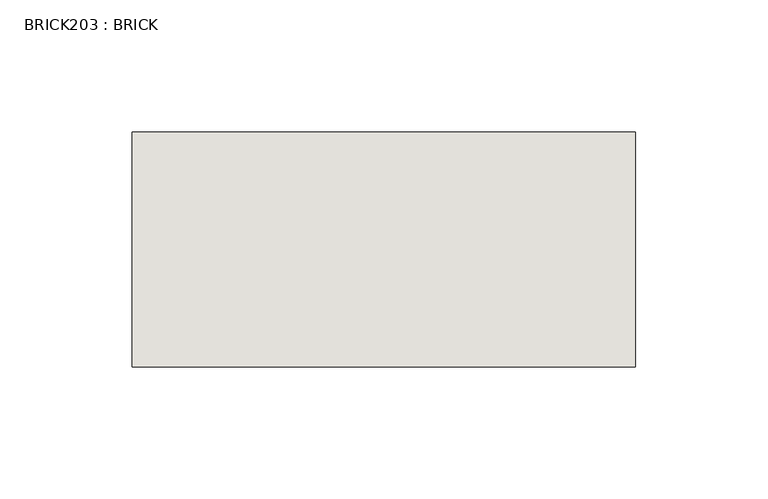
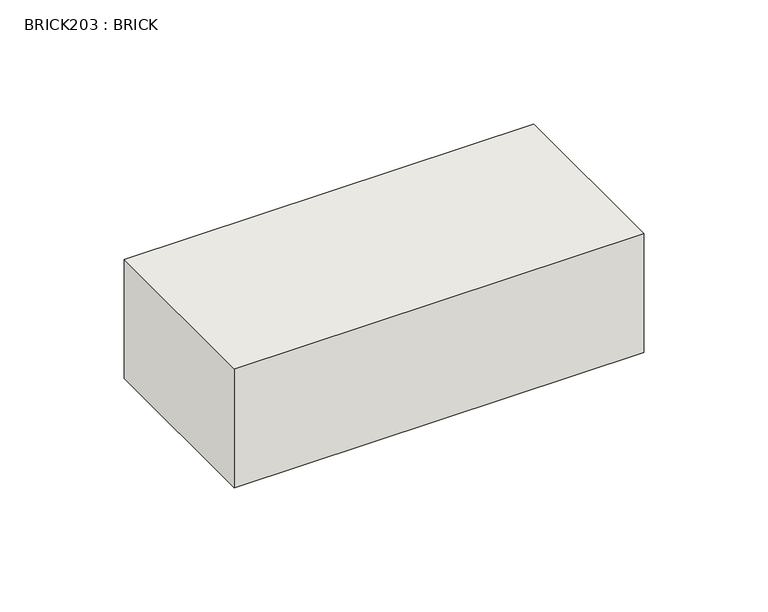
"""IFC4 building model written with IfcOpenShell, lengths in millimetres: wall geometry, BRICK203 : BRICK."""

import ifcopenshell
import ifcopenshell.guid

model = None  # the IFC model being written
_history = None  # IfcOwnerHistory: only IFC2X3 demands one
_inside = {}  # id of a spatial element -> (the spatial element, [elements in it])
_under = {}  # id of a project, library or spatial element -> (it, [spatial elements below it])
_declared = {}  # id of a project -> (the project, [libraries it declares])
_typed = {}  # id of a type object -> (the type object, [elements of that type])
_made_of = {}  # id of a material, layer set ... -> (it, [elements and type objects made of it])


def new_model(schema):
    """Start an empty IFC model of exactly this schema.

    Asked for "IFC4X3", IfcOpenShell would pick the latest addendum, in which some entities
    have other attributes; the version numbers below select the first issue.
    IFC2X3 requires an IfcOwnerHistory on every rooted entity: one is made here for all.
    """
    global model, _history
    if schema == "IFC4X3":
        model = ifcopenshell.file(schema_version=(4, 3, 0, 0))
    else:
        model = ifcopenshell.file(schema=schema)
    _inside.clear()
    _under.clear()
    _declared.clear()
    _typed.clear()
    _made_of.clear()
    _history = None
    if model.schema == "IFC2X3":
        org = make("IfcOrganization", Name="unknown")
        user = make(
            "IfcPersonAndOrganization",
            ThePerson=make("IfcPerson", FamilyName="unknown"),
            TheOrganization=org,
        )
        app = make(
            "IfcApplication",
            ApplicationDeveloper=org,
            Version="unknown",
            ApplicationFullName="unknown",
            ApplicationIdentifier="unknown",
        )
        _history = make(
            "IfcOwnerHistory",
            OwningUser=user,
            OwningApplication=app,
            ChangeAction="ADDED",
            CreationDate=0,
        )
    return model


def make(cls, **values):
    """One entity of the class cls with the attributes given. An attribute that is None is left unset."""
    return model.create_entity(
        cls, **{name: value for name, value in values.items() if value is not None}
    )


def rooted(cls, **values):
    """An entity with a GlobalId (a new one), such as an element, a storey or a relation."""
    return make(cls, GlobalId=ifcopenshell.guid.new(), OwnerHistory=_history, **values)


def si_unit(unit_type, name, prefix=None):
    """IfcSIUnit, for example si_unit("LENGTHUNIT", "METRE", prefix="MILLI")."""
    return make("IfcSIUnit", UnitType=unit_type, Prefix=prefix, Name=name)


def assignment(units):
    """IfcUnitAssignment: the units of a project."""
    return None if units is None else make("IfcUnitAssignment", Units=units)


def point(xyz):
    """IfcCartesianPoint."""
    return None if xyz is None else make("IfcCartesianPoint", Coordinates=xyz)


def direction(xyz):
    """IfcDirection."""
    return None if xyz is None else make("IfcDirection", DirectionRatios=xyz)


def frame(location, z_axis=None, x_axis=None):
    """IfcAxis2Placement3D, a coordinate frame: its origin and axes. An axis left out is left unset."""
    return make(
        "IfcAxis2Placement3D",
        Location=point(location),
        Axis=direction(z_axis),
        RefDirection=direction(x_axis),
    )


def origin():
    """The frame at (0, 0, 0) with its axes left unset."""
    return frame((0.0, 0.0, 0.0))


def place(relative_to, where):
    """IfcLocalPlacement: puts the frame where relative to a parent placement (None: the world)."""
    return make(
        "IfcLocalPlacement", PlacementRelTo=relative_to, RelativePlacement=where
    )


def context(
    kind, dimensions, precision=None, world=None, true_north=None, identifier=None
):
    """IfcGeometricRepresentationContext, for example the 3D "Model" context."""
    return make(
        "IfcGeometricRepresentationContext",
        ContextIdentifier=identifier,
        ContextType=kind,
        CoordinateSpaceDimension=dimensions,
        Precision=precision,
        WorldCoordinateSystem=world,
        TrueNorth=true_north,
    )


def project(units=None, contexts=None):
    """IfcProject with its units and contexts."""
    return rooted(
        "IfcProject",
        Name="project",
        RepresentationContexts=contexts,
        UnitsInContext=assignment(units),
    )


def spatial(cls, under=None, at=None, **own):
    """A site, building, storey or space (cls), placed at a placement, below another one or the project."""
    s = rooted(cls, ObjectPlacement=at, **own)
    if under is not None:
        _under.setdefault(under.id(), (under, []))[1].append(s)
    return s


def polyline(points):
    """IfcPolyline through the points."""
    return make("IfcPolyline", Points=[point(p) for p in points])


def outline(outer, holes=None, kind="AREA"):
    """IfcArbitraryClosedProfileDef: a profile drawn as a closed curve; with holes, ...WithVoids."""
    if holes is None:
        return make("IfcArbitraryClosedProfileDef", ProfileType=kind, OuterCurve=outer)
    return make(
        "IfcArbitraryProfileDefWithVoids",
        ProfileType=kind,
        OuterCurve=outer,
        InnerCurves=holes,
    )


def extrude(swept, where, along, depth):
    """IfcExtrudedAreaSolid: the profile swept, set in the frame where, extruded along a direction by depth."""
    return make(
        "IfcExtrudedAreaSolid",
        SweptArea=swept,
        Position=where,
        ExtrudedDirection=direction(along),
        Depth=depth,
    )


def shape(context_of_items, identifier, shape_type, items):
    """IfcShapeRepresentation: the items that make up one representation, for example the "Body"."""
    return make(
        "IfcShapeRepresentation",
        ContextOfItems=context_of_items,
        RepresentationIdentifier=identifier,
        RepresentationType=shape_type,
        Items=items,
    )


def source(mapping_origin, context_of_items, identifier, shape_type, items):
    """IfcRepresentationMap: a shape defined once, which mapped items show again and again."""
    return make(
        "IfcRepresentationMap",
        MappingOrigin=mapping_origin,
        MappedRepresentation=shape(context_of_items, identifier, shape_type, items),
    )


def transform(
    local_origin,
    x_axis=None,
    y_axis=None,
    z_axis=None,
    scale=None,
    scale2=None,
    scale3=None,
    uniform=True,
):
    """IfcCartesianTransformationOperator3D, or its non-uniform kind. x_axis, y_axis, z_axis: its Axis1, 2, 3."""
    if uniform:
        return make(
            "IfcCartesianTransformationOperator3D",
            Axis1=direction(x_axis),
            Axis2=direction(y_axis),
            LocalOrigin=point(local_origin),
            Scale=scale,
            Axis3=direction(z_axis),
        )
    return make(
        "IfcCartesianTransformationOperator3DnonUniform",
        Axis1=direction(x_axis),
        Axis2=direction(y_axis),
        LocalOrigin=point(local_origin),
        Scale=scale,
        Axis3=direction(z_axis),
        Scale2=scale2,
        Scale3=scale3,
    )


def mapped(mapping_source, mapping_target):
    """IfcMappedItem: shows the shape of a source again, moved by a transform."""
    return make(
        "IfcMappedItem", MappingSource=mapping_source, MappingTarget=mapping_target
    )


def made_of(thing, what):
    """Note that an element or type object is made of a material, layer set ...; save() writes the relation."""
    if what is not None:
        _made_of.setdefault(what.id(), (what, []))[1].append(thing)
    return thing


def element(
    cls,
    number,
    at=None,
    inside=None,
    cuts=None,
    type_object=None,
    material=None,
    context=None,
    identifier="Body",
    shape_type=None,
    held_by="IfcProductDefinitionShape",
    body=None,
    shapes=None,
    **own,
):
    """One element of the class cls, such as IfcWall. Its Tag is "e" and its number.

    at: its placement. inside: the storey or other place that contains it. cuts: it is an
    opening in that element (IfcRelVoidsElement). A single representation is given by context,
    identifier, shape_type and body (its items); several are given by shapes. held_by: the class
    of the entity that holds the representations. save() writes the other relations.
    """
    e = rooted(cls, Tag="e%d" % number, ObjectPlacement=at, **own)
    if body is not None:
        shapes = [shape(context, identifier, shape_type, body)]
    if shapes is not None:
        e.Representation = make(held_by, Representations=shapes)
    if inside is not None:
        _inside.setdefault(inside.id(), (inside, []))[1].append(e)
    if cuts is not None:
        rooted(
            "IfcRelVoidsElement", RelatingBuildingElement=cuts, RelatedOpeningElement=e
        )
    if type_object is not None:
        _typed.setdefault(type_object.id(), (type_object, []))[1].append(e)
    return made_of(e, material)


def aggregate(whole, parts):
    """IfcRelAggregates: a whole, such as a stair, and the parts it consists of."""
    return rooted("IfcRelAggregates", RelatingObject=whole, RelatedObjects=parts)


def save(model, path):
    """Write the relations noted so far, then the file.

    IfcRelAggregates (storeys below a building ...), IfcRelContainedInSpatialStructure (elements
    in a storey), IfcRelDefinesByType, IfcRelAssociatesMaterial and IfcRelDeclares: one each for
    every whole, place, type object, material and project.
    """
    for whole, parts in _under.values():
        aggregate(whole, parts)
    for where, things in _inside.values():
        rooted(
            "IfcRelContainedInSpatialStructure",
            RelatedElements=things,
            RelatingStructure=where,
        )
    for kind, things in _typed.values():
        rooted("IfcRelDefinesByType", RelatedObjects=things, RelatingType=kind)
    for what, things in _made_of.values():
        rooted("IfcRelAssociatesMaterial", RelatedObjects=things, RelatingMaterial=what)
    for by, libraries in _declared.values():
        rooted("IfcRelDeclares", RelatingContext=by, RelatedDefinitions=libraries)
    model.write(path)


def brick203_brick_6fbd79c1(model_context):
    return source(origin(), model_context, "Body", "SweptSolid", [
        extrude(outline(polyline([(-871.4574357, 3062.3923312), (-680.9574357, 3062.3923312), (-680.9574357, 2973.4923312), (-871.4574357, 2973.4923312), (-871.4574357, 3062.3923312)])), frame((0.0, 0.0, 143.8671875), z_axis=(0.0, 0.0, 1.0), x_axis=(1.0, 0.0, 0.0)), (0.0, 0.0, 1.0), 58.4398437),
    ])


if __name__ == "__main__":
    model = new_model("IFC4")
    model_context = context("Model", 3, world=origin())
    ifc_project = project(units=[si_unit("LENGTHUNIT", "METRE", prefix="MILLI")], contexts=[model_context])
    site = spatial("IfcSite", under=ifc_project)
    building = spatial("IfcBuilding", under=site)
    placement = place(None, origin())
    brick203_brick_shape = brick203_brick_6fbd79c1(model_context)
    element("IfcWall", 1, ObjectType="BRICK203 : BRICK", at=placement, inside=building, context=model_context, shape_type="MappedRepresentation", body=[
        mapped(brick203_brick_shape, transform((0.0, 0.0, 0.0), x_axis=(1.0, 0.0, 0.0), y_axis=(0.0, 1.0, 0.0), z_axis=(0.0, 0.0, 1.0))),
    ])
    save(model, "model.ifc")
